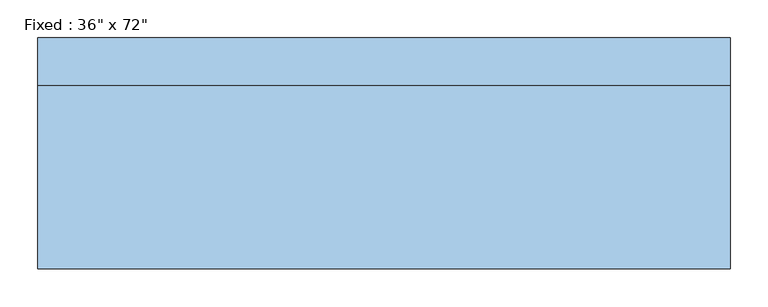
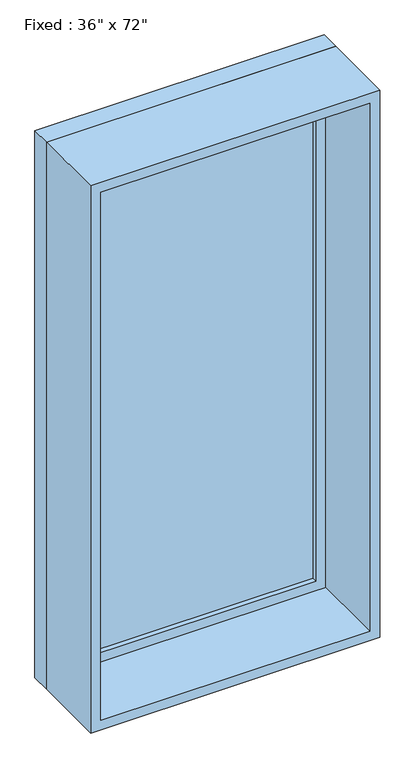
"""IFC4 building model written with IfcOpenShell, lengths in millimetres: window geometry."""

from ifc_helpers import new_model, si_unit, frame, origin, place, context, project, spatial, polyline, outline, extrude, source, transform, mapped, element, save


def window_c524ad49(model_context):
    return source(origin(), model_context, "Body", "SweptSolid", [
        extrude(outline(polyline([(355.6, 104.775), (-431.8, 104.775), (-431.8, 117.475), (355.6, 117.475), (355.6, 104.775)])), frame((0.0, 0.0, 368.3), z_axis=(0.0, 0.0, 1.0), x_axis=(1.0, 0.0, 0.0)), (0.0, 0.0, 1.0), 1701.8),
        extrude(outline(polyline([(2114.55, -476.25), (323.85, -476.25), (323.85, 400.05), (2114.55, 400.05), (2114.55, -476.25)]), holes=[polyline([(2070.1, -431.8), (2070.1, 355.6), (368.3, 355.6), (368.3, -431.8), (2070.1, -431.8)])]), frame((0.0, 88.9, 0.0), z_axis=(0.0, 1.0, 0.0), x_axis=(0.0, 0.0, 1.0)), (0.0, 0.0, 1.0), 44.45),
        extrude(outline(polyline([(2133.6, -495.3), (304.8, -495.3), (304.8, 419.1), (2133.6, 419.1), (2133.6, -495.3)]), holes=[polyline([(2101.85, -463.55), (2101.85, 387.35), (336.55, 387.35), (336.55, -463.55), (2101.85, -463.55)])]), frame((0.0, -152.4, 0.0), z_axis=(0.0, 1.0, 0.0), x_axis=(0.0, 0.0, 1.0)), (0.0, 0.0, 1.0), 241.3),
        extrude(outline(polyline([(2133.6, 419.1), (2133.6, -495.3), (304.8, -495.3), (304.8, 419.1), (2133.6, 419.1)]), holes=[polyline([(2114.55, 400.05), (323.85, 400.05), (323.85, -476.25), (2114.55, -476.25), (2114.55, 400.05)])]), frame((0.0, 88.9, 0.0), z_axis=(0.0, 1.0, 0.0), x_axis=(0.0, 0.0, 1.0)), (0.0, 0.0, 1.0), 63.5),
    ])


if __name__ == "__main__":
    model = new_model("IFC4")
    model_context = context("Model", 3, world=origin())
    ifc_project = project(units=[si_unit("LENGTHUNIT", "METRE", prefix="MILLI")], contexts=[model_context])
    site = spatial("IfcSite", under=ifc_project)
    building = spatial("IfcBuilding", under=site)
    placement = place(None, origin())
    window_shape = window_c524ad49(model_context)
    element("IfcWindow", 1, ObjectType="Fixed : 36\" x 72\"", at=placement, inside=building, context=model_context, shape_type="MappedRepresentation", body=[
        mapped(window_shape, transform((0.0, 0.0, 0.0), x_axis=(1.0, 0.0, 0.0), y_axis=(0.0, 1.0, 0.0), z_axis=(0.0, 0.0, 1.0))),
    ])
    save(model, "model.ifc")
